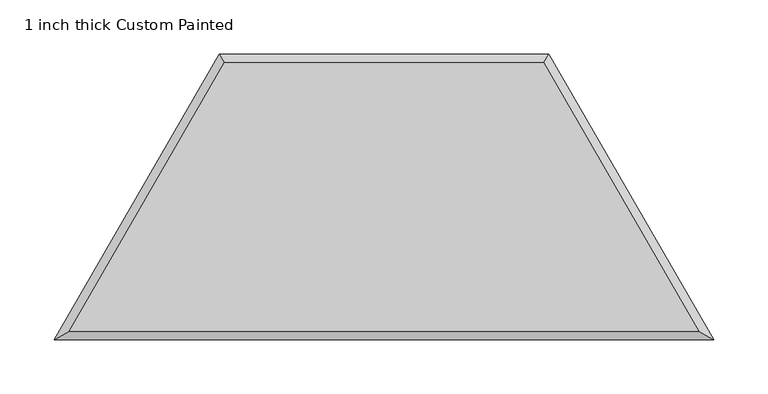
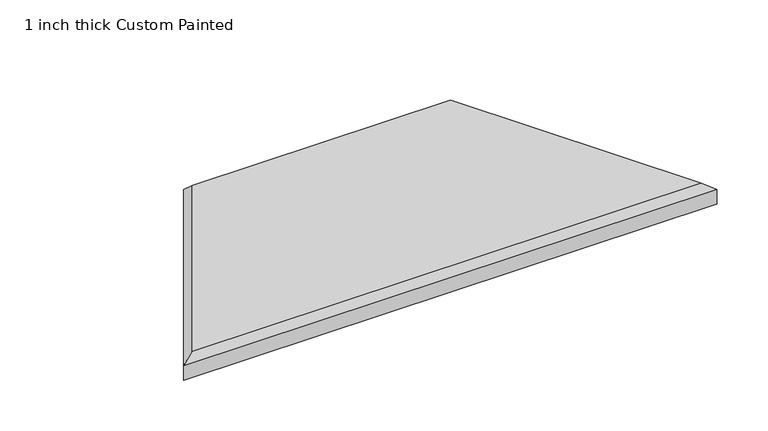
"""IFC4 building model written with IfcOpenShell, lengths in millimetres: proxy geometry, 1 inch thick Custom Painted."""

from ifc_helpers import new_model, si_unit, origin, place, context, project, spatial, faceted_brep, source, transform, mapped, element, save


def proxy_1_inch_thick_custom_painted_e93fd895(model_context):
    return source(origin(), model_context, "Body", "Brep", [
        faceted_brep([(-147.7806205, 255.9635431, 25.4), (-290.9418615, 8.001, 25.4), (290.9418615, 8.001, 25.4), (147.7806205, 255.9635431, 25.4), (152.4, 263.9645431, 0.0), (304.8, 0.0, 0.0), (-304.8, 0.0, 0.0), (-152.4, 263.9645431, 0.0), (-152.4, 263.9645431, 17.399), (152.4, 263.9645431, 17.399), (-304.8, 0.0, 17.399), (304.8, 0.0, 17.399)], [[[0, 1, 2, 3]], [[4, 5, 6, 7]], [[4, 7, 8, 9]], [[7, 6, 10, 8]], [[5, 4, 9, 11]], [[10, 1, 0, 8]], [[9, 3, 2, 11]], [[8, 0, 3, 9]], [[6, 5, 11, 10]], [[1, 10, 11, 2]]]),
    ])


if __name__ == "__main__":
    model = new_model("IFC4")
    model_context = context("Model", 3, world=origin())
    ifc_project = project(units=[si_unit("LENGTHUNIT", "METRE", prefix="MILLI")], contexts=[model_context])
    site = spatial("IfcSite", under=ifc_project)
    building = spatial("IfcBuilding", under=site)
    placement = place(None, origin())
    proxy_1_inch_thick_custom_painted_shape = proxy_1_inch_thick_custom_painted_e93fd895(model_context)
    element("IfcBuildingElementProxy", 1, Name="1 inch thick Custom Painted", ObjectType="1 inch thick Custom Painted", at=placement, inside=building, context=model_context, shape_type="MappedRepresentation", body=[
        mapped(proxy_1_inch_thick_custom_painted_shape, transform((0.0, 0.0, 0.0), x_axis=(1.0, 0.0, 0.0), y_axis=(0.0, 1.0, 0.0), z_axis=(0.0, 0.0, 1.0))),
    ])
    save(model, "model.ifc")
